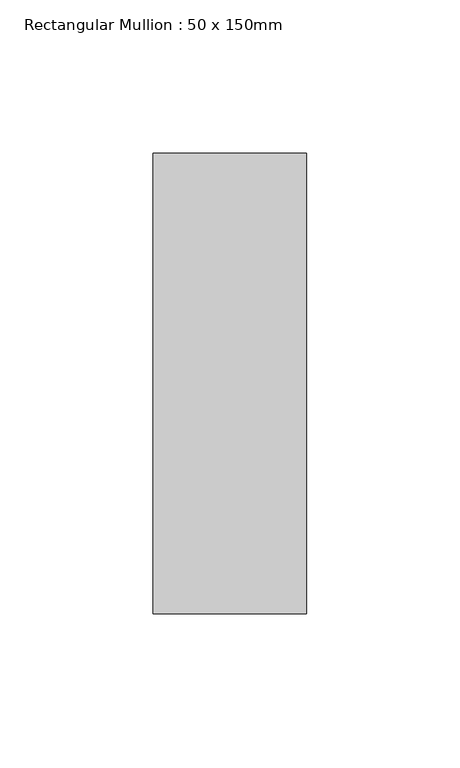
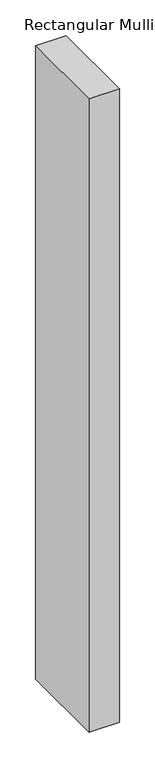
"""IFC4 building model written with IfcOpenShell, lengths in millimetres: member geometry, Rectangular Mullion : 50 x 150mm."""

from ifc_helpers import new_model, si_unit, frame, origin, place, context, project, spatial, polyline, outline, extrude, source, transform, mapped, element, save


def rectangular_mullion_50_x_150mm_15ad2799(model_context):
    return source(origin(), model_context, "Body", "SweptSolid", [
        extrude(outline(polyline([(0.0, 75.0), (0.0, -75.0), (-50.0, -75.0), (-50.0, 75.0), (0.0, 75.0)])), frame((0.0, 0.0, -1085.85), z_axis=(0.0, 0.0, 1.0), x_axis=(1.0, 0.0, 0.0)), (0.0, 0.0, 1.0), 1085.85),
    ])


if __name__ == "__main__":
    model = new_model("IFC4")
    model_context = context("Model", 3, world=origin())
    ifc_project = project(units=[si_unit("LENGTHUNIT", "METRE", prefix="MILLI")], contexts=[model_context])
    site = spatial("IfcSite", under=ifc_project)
    building = spatial("IfcBuilding", under=site)
    placement = place(None, origin())
    rectangular_mullion_50_x_150mm_shape = rectangular_mullion_50_x_150mm_15ad2799(model_context)
    element("IfcMember", 1, ObjectType="Rectangular Mullion : 50 x 150mm", at=placement, inside=building, context=model_context, shape_type="MappedRepresentation", body=[
        mapped(rectangular_mullion_50_x_150mm_shape, transform((0.0, 0.0, 0.0), x_axis=(1.0, 0.0, 0.0), y_axis=(0.0, 1.0, 0.0), z_axis=(0.0, 0.0, 1.0))),
    ])
    save(model, "model.ifc")
